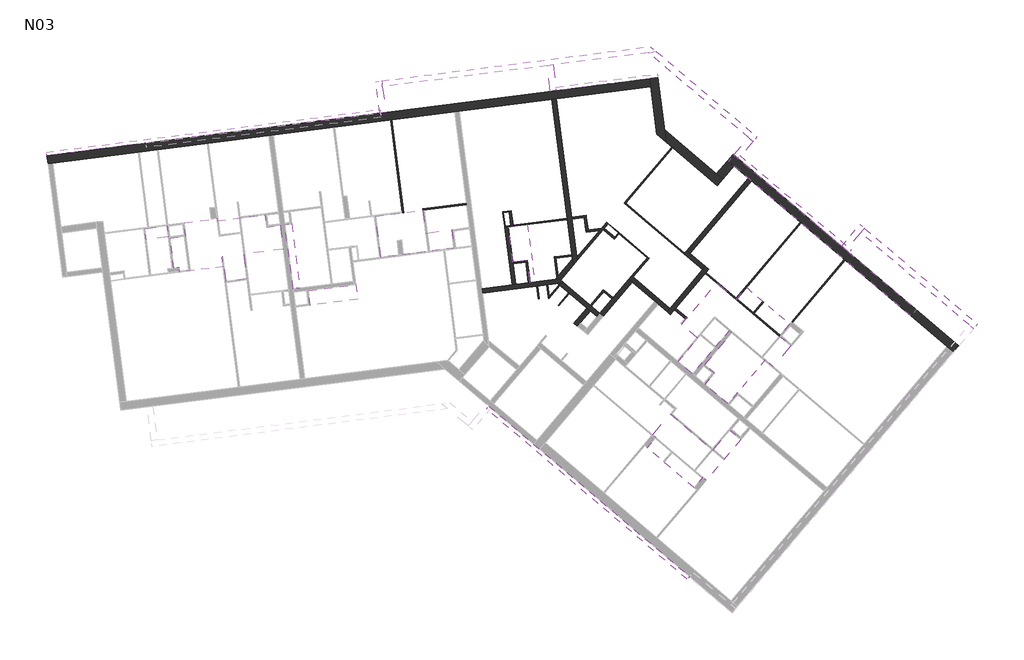
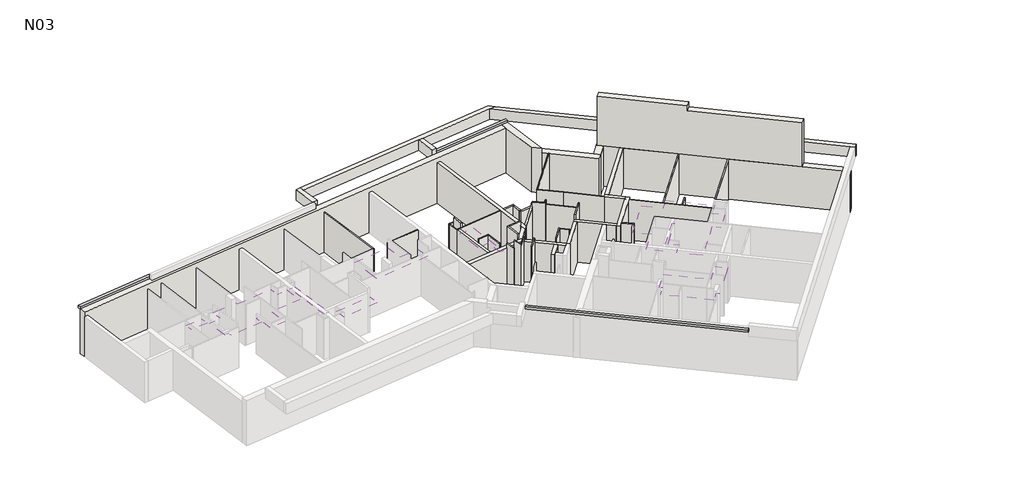
# One storey, part 3 of 3: 57 walls, 8 coverings, 4 proxies.
"""IFC4 building model written with IfcOpenShell, lengths in millimetres."""

from ifc_helpers import new_model, si_unit, frame, origin, place, context, project, spatial, polyline, outline, extrude, faceted_brep, element, save

model = new_model("IFC4")

# Units and contexts
model_context = context("Model", 3, world=origin())
ifc_project = project(units=[si_unit("LENGTHUNIT", "METRE", prefix="MILLI")], contexts=[model_context])

# Site, building, storey
site = spatial("IfcSite", under=ifc_project)
building = spatial("IfcBuilding", under=site)
storey = spatial("IfcBuildingStorey", under=building, Name="N03", Elevation=8610.0)

# Proxies
placement = place(None, origin())
element("IfcBuildingElementProxy", 1, Name="Wall Sweeps", at=placement, inside=storey, context=model_context, shape_type="Brep", body=[
    faceted_brep([(16867.2686625, 4566.816918, 11522.4), (16867.2686625, 4566.816918, 11370.0), (16952.940746, 4667.7627158, 11370.0), (16965.8821484, 4683.0113258, 11370.0), (16965.8821484, 4683.0113258, 11522.4), (16952.940746, 4667.7627158, 11522.4), (7979.7679212, 12109.5846437, 11370.0), (7979.7679212, 12109.5846437, 11522.4), (8078.3814071, 12225.7790515, 11522.4), (8078.3814071, 12225.7790515, 11370.0)], [[[0, 1, 2, 3, 4, 5]], [[6, 7, 8, 9]], [[1, 0, 7, 6]], [[4, 3, 9, 8]], [[8, 7, 0, 5, 4]], [[6, 9, 3, 2, 1]]]),
])
element("IfcBuildingElementProxy", 2, Name="Wall Sweeps", at=placement, inside=storey, context=model_context, shape_type="SweptSolid", body=[
    extrude(outline(polyline([(19091.5035681, 23208.7313079), (19190.1170539, 23324.9257157), (24120.6035144, 19140.4518992), (24021.9900285, 19024.2574914), (19091.5035681, 23208.7313079)])), frame((0.0, 0.0, 11370.0), z_axis=(0.0, 0.0, 1.0), x_axis=(1.0, 0.0, 0.0)), (0.0, 0.0, 1.0), 152.4),
])
element("IfcBuildingElementProxy", 3, Name="Wall Sweeps", at=placement, inside=storey, context=model_context, shape_type="SweptSolid", body=[
    extrude(outline(polyline([(11067.1915012, 26194.7509544), (11047.8706403, 26345.9212701), (15541.3189991, 26920.2224516), (15560.63986, 26769.0521359), (11067.1915012, 26194.7509544)])), frame((0.0, 0.0, 11370.0), z_axis=(0.0, 0.0, 1.0), x_axis=(1.0, 0.0, 0.0)), (0.0, 0.0, 1.0), 152.4),
])
element("IfcBuildingElementProxy", 4, Name="Wall Sweeps", at=placement, inside=storey, context=model_context, shape_type="SweptSolid", body=[
    extrude(outline(polyline([(-11469.4364445, 23314.3769026), (-11488.7573055, 23465.5472182), (3262.1320682, 25350.8372046), (3281.4529292, 25199.666889), (-11469.4364445, 23314.3769026)])), frame((0.0, 0.0, 11370.0), z_axis=(0.0, 0.0, 1.0), x_axis=(1.0, 0.0, 0.0)), (0.0, 0.0, 1.0), 152.4),
])

# Coverings
element("IfcCovering", 5, at=placement, inside=storey, context=model_context, shape_type="SweptSolid", body=[
    extrude(outline(polyline([(16105.5760883, 11881.8339897), (17988.1288353, 10284.1229441), (18732.2594703, 11160.9180159), (19227.8392936, 10740.3224396), (17707.2245177, 8948.610771), (17554.7384183, 9078.0247945), (17168.4869942, 8622.9120372), (15095.3266228, 10382.3906122), (15481.5780469, 10837.5033695), (15329.0919474, 10966.917393), (16105.5760883, 11881.8339897)])), frame((0.0, 0.0, 10810.0), z_axis=(0.0, 0.0, 1.0), x_axis=(1.0, 0.0, 0.0)), (0.0, 0.0, 1.0), 200.0),
])
element("IfcCovering", 6, at=placement, inside=storey, context=model_context, shape_type="SweptSolid", body=[
    extrude(outline(polyline([(18071.4014763, 13689.1766135), (17640.3717908, 14054.9888812), (18839.2636396, 15467.6205017), (18717.2747601, 15571.1517204), (17097.7873349, 13662.9402767), (16457.3457172, 14206.4791754), (17330.8903757, 15235.7603467), (16610.2228679, 15847.3864694), (18165.0032813, 17679.3548633), (19030.5898752, 16944.7367953), (19483.5389574, 17478.4381433), (21389.6152006, 15860.7628499), (20936.6661184, 15327.0615018), (21447.4372599, 14893.5731462), (20670.9531191, 13978.6565495), (20322.7312389, 14274.1903374), (18670.890308, 12327.8573688), (17650.8059, 13193.5967902), (18071.4014763, 13689.1766135)])), frame((0.0, 0.0, 10810.0), z_axis=(0.0, 0.0, 1.0), x_axis=(1.0, 0.0, 0.0)), (0.0, 0.0, 1.0), 200.0),
])
element("IfcCovering", 7, at=placement, inside=storey, context=model_context, shape_type="SweptSolid", body=[
    extrude(outline(polyline([(-280.3726005, 17454.4783661), (-577.951962, 17416.4451752), (-940.7002122, 20254.6607005), (-643.1208507, 20292.6938913), (-280.3726005, 17454.4783661)])), frame((0.0, 0.0, 10810.0), z_axis=(0.0, 0.0, 1.0), x_axis=(1.0, 0.0, 0.0)), (0.0, 0.0, 1.0), 200.0),
])
element("IfcCovering", 8, at=placement, inside=storey, context=model_context, shape_type="SweptSolid", body=[
    extrude(outline(polyline([(5158.4117063, 20901.2018149), (5287.9780159, 19887.4488577), (6433.6585574, 20033.8766423), (6537.3624849, 19222.4761822), (3303.6667568, 18809.1821753), (3070.3965197, 20634.3355925), (5158.4117063, 20901.2018149)])), frame((0.0, 0.0, 10810.0), z_axis=(0.0, 0.0, 1.0), x_axis=(1.0, 0.0, 0.0)), (0.0, 0.0, 1.0), 200.0),
])
element("IfcCovering", 9, at=placement, inside=storey, context=model_context, shape_type="SweptSolid", body=[
    extrude(outline(polyline([(-7086.8994883, 19589.9313294), (-7148.5178036, 20072.0454652), (-6161.5462546, 20198.1888814), (-6099.9279393, 19716.0747456), (-7086.8994883, 19589.9313294)])), frame((0.0, 0.0, 10810.0), z_axis=(0.0, 0.0, 1.0), x_axis=(1.0, 0.0, 0.0)), (0.0, 0.0, 1.0), 200.0),
])
element("IfcCovering", 10, at=placement, inside=storey, context=model_context, shape_type="SweptSolid", body=[
    extrude(outline(polyline([(-2759.8969799, 18949.3642918), (-2620.8005478, 17861.0457323), (-3543.2965685, 17743.1428408), (-3682.3930006, 18831.4614003), (-3731.9895609, 18825.1225351), (-3677.3013538, 18397.2309652), (-5596.6881268, 18151.9168982), (-5623.3113604, 18360.2224513), (-5852.3280012, 18330.9521633), (-6021.6183438, 19655.5139725), (-5327.2665003, 19744.2580844), (-5404.0980919, 20345.4039648), (-3950.0465216, 20531.2442078), (-3935.990897, 20421.2701641), (-1823.1774303, 20691.305819), (-1754.0838003, 20150.7033122), (-1139.0864532, 20229.30524), (-1004.178747, 19173.7601177), (-2759.8969799, 18949.3642918)])), frame((0.0, 0.0, 10810.0), z_axis=(0.0, 0.0, 1.0), x_axis=(1.0, 0.0, 0.0)), (0.0, 0.0, 1.0), 200.0),
])
element("IfcCovering", 11, at=placement, inside=storey, context=model_context, shape_type="SweptSolid", body=[
    extrude(outline(polyline([(2196.919571, 17608.7864655), (2280.4656359, 16955.1051907), (168.5348616, 16685.1823515), (85.3535707, 17340.9389242), (2196.919571, 17608.7864655)])), frame((0.0, 0.0, 10810.0), z_axis=(0.0, 0.0, 1.0), x_axis=(1.0, 0.0, 0.0)), (0.0, 0.0, 1.0), 200.0),
])
element("IfcCovering", 12, at=placement, inside=storey, context=model_context, shape_type="SweptSolid", body=[
    extrude(outline(polyline([(9792.06233, 20260.2144685), (10116.6790557, 17720.3476873), (9903.7474971, 17693.1332106), (9778.1711367, 18675.6679999), (9147.9611711, 18595.1217693), (8948.9208057, 20152.4537612), (9792.06233, 20260.2144685)])), frame((0.0, 0.0, 10810.0), z_axis=(0.0, 0.0, 1.0), x_axis=(1.0, 0.0, 0.0)), (0.0, 0.0, 1.0), 200.0),
])

# Walls
element("IfcWall", 13, at=placement, inside=storey, context=model_context, shape_type="Brep", body=[
    faceted_brep([(18653.8556953, 23094.8702544, 8610.0), (18935.9549793, 22855.454311, 8610.0), (19566.3334351, 22320.4559566, 8610.0), (19718.8195346, 22191.0419331, 8610.0), (21868.8735369, 20366.3042021, 8610.0), (21906.9950618, 20333.9506962, 8610.0), (23813.071305, 18716.2754028, 8610.0), (23851.1928298, 18683.9218969, 8610.0), (28349.5327638, 14866.2082043, 8610.0), (28631.6320478, 14626.7922609, 8610.0), (28631.6320478, 14626.7922609, 11050.0), (28631.6320478, 14626.7922609, 11110.0), (26756.0530245, 16218.5847496, 11110.0), (23851.1928298, 18683.9218969, 11110.0), (23813.071305, 18716.2754028, 11110.0), (21906.9950618, 20333.9506962, 11110.0), (21868.8735369, 20366.3042021, 11110.0), (19718.8195346, 22191.0419331, 11110.0), (19566.3334351, 22320.4559566, 11110.0), (18935.9549793, 22855.454311, 11110.0), (18689.9223802, 23064.2606788, 11110.0), (18653.8556953, 23094.8702544, 11110.0), (18893.2716388, 23376.9695384, 8610.0), (18893.2716388, 23376.9695384, 11110.0), (18929.3383236, 23346.3599628, 11110.0), (26995.4689679, 16500.6840336, 11110.0), (28871.0479912, 14908.8915449, 11110.0), (28871.0479912, 14908.8915449, 8920.0), (28871.0479912, 14908.8915449, 8610.0)], [[[0, 1, 2, 3, 4, 5, 6, 7, 8, 9, 10, 11, 12, 13, 14, 15, 16, 17, 18, 19, 20, 21]], [[22, 23, 24, 25, 26, 27, 28]], [[9, 8, 7, 6, 5, 4, 3, 2, 1, 0, 22, 28]], [[21, 20, 19, 18, 17, 16, 15, 14, 13, 12, 11, 26, 25, 24, 23]], [[0, 21, 23, 22]], [[9, 28, 27, 26, 11, 10]]]),
])
element("IfcWall", 14, at=placement, inside=storey, context=model_context, shape_type="Brep", body=[
    faceted_brep([(18689.9223802, 23064.2606788, 11110.0), (26756.0530245, 16218.5847496, 11110.0), (26756.0530245, 16218.5847496, 11380.0), (26756.0530245, 16218.5847496, 13820.0), (22235.2241925, 20055.3846329, 13820.0), (22235.2241925, 20055.3846329, 14150.0), (18689.9223802, 23064.2606788, 14150.0), (18689.9223802, 23064.2606788, 13880.0), (18689.9223802, 23064.2606788, 11380.0), (26995.4689679, 16500.6840336, 11110.0), (18929.3383236, 23346.3599628, 11110.0), (18929.3383236, 23346.3599628, 11690.0), (18929.3383236, 23346.3599628, 14150.0), (22268.7839017, 20512.1928486, 14150.0), (22474.640136, 20337.4839169, 14150.0), (22474.640136, 20337.4839169, 13820.0), (26995.4689679, 16500.6840336, 13820.0)], [[[0, 1, 2, 3, 4, 5, 6, 7, 8]], [[9, 10, 11, 12, 13, 14, 15, 16]], [[1, 0, 10, 9]], [[12, 6, 5, 14, 13]], [[1, 9, 16, 3, 2]], [[0, 8, 7, 6, 12, 11, 10]], [[15, 4, 3, 16]], [[4, 15, 14, 5]]]),
])
element("IfcWall", 15, at=placement, inside=storey, context=model_context, shape_type="Brep", body=[
    faceted_brep([(10876.035614, 25797.3098559, 8610.0), (11548.5885067, 20535.120278, 8610.0), (11554.9273719, 20485.5237178, 8610.0), (11778.6398941, 18735.1517901, 8610.0), (11812.9732571, 18466.5206289, 8610.0), (11812.9732571, 18466.5206289, 11110.0), (11778.6398941, 18735.1517901, 11110.0), (11554.9273719, 20485.5237178, 11110.0), (11548.5885067, 20535.120278, 11110.0), (10876.035614, 25797.3098559, 11110.0), (11074.421855, 25822.6653165, 8610.0), (11074.421855, 25822.6653165, 11110.0), (11742.7910111, 20593.2101382, 11110.0), (11755.4687414, 20494.0170177, 11110.0), (11971.0437253, 18807.314833, 11110.0), (11988.2104067, 18672.9992524, 11110.0), (11988.2104067, 18672.9992524, 8610.0), (11971.0437253, 18807.314833, 8610.0), (11755.4687414, 20494.0170177, 8610.0), (11742.7910111, 20593.2101382, 8610.0)], [[[0, 1, 2, 3, 4, 5, 6, 7, 8, 9]], [[10, 11, 12, 13, 14, 15, 16, 17, 18, 19]], [[4, 3, 2, 1, 0, 10, 19, 18, 17, 16]], [[9, 8, 7, 6, 5, 15, 14, 13, 12, 11]], [[0, 9, 11, 10]], [[5, 4, 16, 15]]]),
])
element("IfcWall", 16, at=placement, inside=storey, context=model_context, shape_type="Brep", body=[
    faceted_brep([(11193.6909618, 17857.9990323, 8610.0), (7775.7214118, 17421.1532528, 8610.0), (7775.7214118, 17421.1532528, 11110.0), (11193.6909618, 17857.9990323, 11110.0), (11400.1695853, 17682.7618826, 8610.0), (11400.1695853, 17682.7618826, 11110.0), (11131.5384241, 17648.4285197, 11110.0), (7801.0768724, 17222.7670118, 11110.0), (7801.0768724, 17222.7670118, 8610.0), (10201.5503886, 17529.5680845, 8610.0), (10251.1469488, 17535.9069496, 8610.0), (10647.9194308, 17586.6178707, 8610.0), (10697.5159911, 17592.9567358, 8610.0), (11131.5384241, 17648.4285197, 8610.0)], [[[0, 1, 2, 3]], [[4, 5, 6, 7, 8, 9, 10, 11, 12, 13]], [[1, 0, 4, 13, 12, 11, 10, 9, 8]], [[3, 2, 7, 6, 5]], [[2, 1, 8, 7]], [[0, 3, 5, 4]]]),
])
element("IfcWall", 17, at=placement, inside=storey, context=model_context, shape_type="Brep", body=[
    faceted_brep([(16117.4722812, 16278.6968395, 8610.0), (17819.26669, 18283.8890473, 8610.0), (17819.26669, 18283.8890473, 11110.0), (16117.4722812, 16278.6968395, 11110.0), (15964.9861818, 16408.110863, 8610.0), (15964.9861818, 16408.110863, 11110.0), (16094.4002053, 16560.5969624, 11110.0), (17537.366567, 18260.8169713, 11110.0), (17666.7805905, 18413.3030708, 11110.0), (17666.7805905, 18413.3030708, 8610.0), (17537.366567, 18260.8169713, 8610.0), (16094.4002053, 16560.5969624, 8610.0)], [[[0, 1, 2, 3]], [[4, 5, 6, 7, 8, 9, 10, 11]], [[1, 0, 4, 11, 10, 9]], [[3, 2, 8, 7, 6, 5]], [[2, 1, 9, 8]], [[0, 3, 5, 4]]]),
])
element("IfcWall", 18, at=placement, inside=storey, context=model_context, shape_type="Brep", body=[
    faceted_brep([(16713.9989216, 18959.604075, 8610.0), (17537.366567, 18260.8169713, 8610.0), (17537.366567, 18260.8169713, 11110.0), (16713.9989216, 18959.604075, 11110.0), (16843.4129451, 19112.0901745, 8610.0), (16843.4129451, 19112.0901745, 11110.0), (16995.8990446, 18982.676151, 11110.0), (17666.7805905, 18413.3030708, 11110.0), (17666.7805905, 18413.3030708, 8610.0), (16995.8990446, 18982.676151, 8610.0), (16746.3524275, 18997.7255999, 11110.0)], [[[0, 1, 2, 3]], [[4, 5, 6, 7, 8, 9]], [[1, 0, 4, 9, 8]], [[3, 2, 7, 6, 5, 10]], [[2, 1, 8, 7]], [[0, 3, 10, 5, 4]]]),
])
element("IfcWall", 19, at=placement, inside=storey, context=model_context, shape_type="SweptSolid", body=[
    extrude(outline(polyline([(16843.4129451, 19112.0901745), (19566.3334351, 22320.4559566), (19718.8195346, 22191.0419331), (16995.8990446, 18982.676151), (16843.4129451, 19112.0901745)])), frame((0.0, 0.0, 8610.0), z_axis=(0.0, 0.0, 1.0), x_axis=(1.0, 0.0, 0.0)), (0.0, 0.0, 1.0), 2500.0),
])
element("IfcWall", 20, at=placement, inside=storey, context=model_context, shape_type="Brep", body=[
    faceted_brep([(16094.4002053, 16560.5969624, 8610.0), (14463.2402497, 17944.9524777, 8610.0), (14409.8701149, 17990.2473859, 8610.0), (14409.8701149, 17990.2473859, 11110.0), (16094.4002053, 16560.5969624, 11110.0), (15964.9861818, 16408.110863, 8610.0), (15964.9861818, 16408.110863, 11110.0), (15578.6427768, 16735.9981567, 11110.0), (15426.1566773, 16865.4121802, 11110.0), (14432.9421908, 17708.347263, 11110.0), (14280.4560914, 17837.7612865, 11110.0), (14280.4560914, 17837.7612865, 8610.0), (14432.9421908, 17708.347263, 8610.0), (15426.1566773, 16865.4121802, 8610.0), (15578.6427768, 16735.9981567, 8610.0)], [[[0, 1, 2, 3, 4]], [[5, 6, 7, 8, 9, 10, 11, 12, 13, 14]], [[2, 1, 0, 5, 14, 13, 12, 11]], [[4, 3, 10, 9, 8, 7, 6]], [[0, 4, 6, 5]], [[3, 2, 11, 10]]]),
])
element("IfcWall", 21, at=placement, inside=storey, context=model_context, shape_type="SweptSolid", body=[
    extrude(outline(polyline([(11812.9732571, 18466.5206289), (11253.4682327, 17807.2664267), (11193.6909618, 17857.9990323), (11014.8014897, 17835.1354258), (11778.6398941, 18735.1517901), (11812.9732571, 18466.5206289)])), frame((0.0, 0.0, 8610.0), z_axis=(0.0, 0.0, 1.0), x_axis=(1.0, 0.0, 0.0)), (0.0, 0.0, 1.0), 2500.0),
])
element("IfcWall", 22, at=placement, inside=storey, context=model_context, shape_type="Brep", body=[
    faceted_brep([(15149.6049549, 27865.7916052, 11050.0), (19576.408441, 24108.79046, 11050.0), (19774.6403703, 23940.5522295, 11050.0), (19774.6403703, 23940.5522295, 11690.0), (19576.408441, 24108.79046, 11690.0), (16574.3074572, 26656.6552726, 11690.0), (16305.8852466, 26884.4635671, 11690.0), (15149.6049549, 27865.7916052, 11690.0), (15498.8254645, 27910.424977, 11050.0), (15498.8254645, 27910.424977, 11690.0), (19942.8786008, 24138.7841588, 11690.0), (19942.8786008, 24138.7841588, 11050.0)], [[[0, 1, 2, 3, 4, 5, 6, 7]], [[8, 9, 10, 11]], [[2, 1, 0, 8, 11]], [[7, 6, 5, 4, 3, 10, 9]], [[3, 2, 11, 10]], [[0, 7, 9, 8]]]),
])
element("IfcWall", 23, at=placement, inside=storey, context=model_context, shape_type="Brep", body=[
    faceted_brep([(-11422.5288425, 22947.3623567, 8610.0), (-11224.1426015, 22972.7178173, 8610.0), (-1646.174462, 24196.8641698, 8610.0), (-1447.788221, 24222.2196304, 8610.0), (1207.4788681, 24561.5855037, 8610.0), (1257.0754284, 24567.9243688, 8610.0), (3736.903441, 24884.8676257, 8610.0), (3786.5000012, 24891.2064909, 8610.0), (6573.8266873, 25247.4507116, 8610.0), (6772.2129283, 25272.8061722, 8610.0), (10876.035614, 25797.3098559, 8610.0), (11059.542887, 25820.7636569, 8610.0), (11074.421855, 25822.6653165, 8610.0), (15240.5329162, 26355.1299881, 8610.0), (15240.5329162, 26355.1299881, 11380.0), (3695.375077, 24879.5599452, 11380.0), (-7032.3609053, 23508.4634158, 11380.0), (-11422.5288425, 22947.3623567, 11380.0), (-11422.5288425, 22947.3623567, 11110.0), (15193.6253141, 26722.1445339, 8610.0), (11012.6352849, 26187.7782028, 8610.0), (-11469.4364445, 23314.3769026, 8610.0), (-11469.4364445, 23314.3769026, 8920.0), (-11469.4364445, 23314.3769026, 11380.0), (-7079.2685073, 23875.4779617, 11380.0), (-7079.2685073, 23875.4779617, 11050.0), (3281.4529292, 25199.666889, 11050.0), (3281.4529292, 25199.666889, 11380.0), (3648.467475, 25246.574491, 11380.0), (15193.6253141, 26722.1445339, 11380.0), (3306.8083897, 25001.280648, 11380.0), (-7053.9130468, 23677.0917207, 11380.0), (3306.8083897, 25001.280648, 11050.0), (-7053.9130468, 23677.0917207, 11050.0)], [[[0, 1, 2, 3, 4, 5, 6, 7, 8, 9, 10, 11, 12, 13, 14, 15, 16, 17, 18]], [[19, 20, 21, 22, 23, 24, 25, 26, 27, 28, 29]], [[13, 12, 11, 10, 9, 8, 7, 6, 5, 4, 3, 2, 1, 0, 21, 20, 19]], [[17, 16, 15, 14, 29, 28, 27, 30, 31, 24, 23]], [[14, 13, 19, 29]], [[17, 23, 22, 21, 0, 18]], [[32, 33, 31, 30]], [[33, 32, 26, 25]], [[33, 25, 24, 31]], [[26, 32, 30, 27]]]),
])
element("IfcWall", 24, at=placement, inside=storey, context=model_context, shape_type="Brep", body=[
    faceted_brep([(15193.6253141, 26722.1445339, 8610.0), (15240.5329162, 26355.1299881, 8610.0), (15507.785135, 24264.0946865, 8610.0), (15507.785135, 24264.0946865, 11380.0), (15240.5329162, 26355.1299881, 11380.0), (15193.6253141, 26722.1445339, 11380.0), (15926.1781059, 23909.0071215, 8610.0), (15856.6075253, 24453.3413857, 8610.0), (15607.547462, 26402.0375901, 8610.0), (15560.63986, 26769.0521359, 8610.0), (15560.63986, 26769.0521359, 11380.0), (15926.1781059, 23909.0071215, 11380.0), (15926.1781059, 23909.0071215, 11110.0)], [[[0, 1, 2, 3, 4, 5]], [[6, 7, 8, 9, 10, 11, 12]], [[2, 1, 0, 9, 8, 7, 6]], [[5, 4, 3, 11, 10]], [[3, 2, 6, 12, 11]], [[0, 5, 10, 9]]]),
])
element("IfcWall", 25, at=placement, inside=storey, context=model_context, shape_type="Brep", body=[
    faceted_brep([(15926.1781059, 23909.0071215, 8610.0), (18195.5282503, 21983.0234816, 8610.0), (18195.5282503, 21983.0234816, 11110.0), (15926.1781059, 23909.0071215, 11110.0), (15856.6075253, 24453.3413857, 8610.0), (15856.6075253, 24453.3413857, 11110.0), (18152.8449097, 22504.538709, 11110.0), (18434.9441937, 22265.1227656, 11110.0), (18434.9441937, 22265.1227656, 8610.0), (18152.8449097, 22504.538709, 8610.0)], [[[0, 1, 2, 3]], [[4, 5, 6, 7, 8, 9]], [[1, 0, 4, 9, 8]], [[3, 2, 7, 6, 5]], [[0, 3, 5, 4]], [[2, 1, 8, 7]]]),
])
element("IfcWall", 26, at=placement, inside=storey, context=model_context, shape_type="SweptSolid", body=[
    extrude(outline(polyline([(18935.9549793, 22855.454311), (18434.9441937, 22265.1227656), (18152.8449097, 22504.538709), (18653.8556953, 23094.8702544), (18935.9549793, 22855.454311)])), frame((0.0, 0.0, 8610.0), z_axis=(0.0, 0.0, 1.0), x_axis=(1.0, 0.0, 0.0)), (0.0, 0.0, 1.0), 2500.0),
])
element("IfcWall", 27, at=placement, inside=storey, context=model_context, shape_type="Brep", body=[
    faceted_brep([(3084.1260812, 26585.83503, 11050.0), (3261.6143051, 25197.1313429, 11050.0), (3261.6143051, 25197.1313429, 11690.0), (3084.1260812, 26585.83503, 11690.0), (3342.0281945, 26618.7971287, 11050.0), (3342.0281945, 26618.7971287, 11690.0), (3374.9902932, 26360.8950154, 11690.0), (3519.5164184, 25230.0934417, 11690.0), (3519.5164184, 25230.0934417, 11050.0), (3374.9902932, 26360.8950154, 11050.0)], [[[0, 1, 2, 3]], [[4, 5, 6, 7, 8, 9]], [[1, 0, 4, 9, 8]], [[3, 2, 7, 6, 5]], [[2, 1, 8, 7]], [[0, 3, 5, 4]]]),
])
element("IfcWall", 28, at=placement, inside=storey, context=model_context, shape_type="Brep", body=[
    faceted_brep([(19127.5702529, 23178.1217322, 11050.0), (19774.6403703, 23940.5522295, 11050.0), (19774.6403703, 23940.5522295, 11690.0), (19127.5702529, 23178.1217322, 11690.0), (19576.408441, 24108.79046, 11050.0), (18929.3383236, 23346.3599628, 11050.0), (18929.3383236, 23346.3599628, 11110.0), (18929.3383236, 23346.3599628, 11690.0), (19576.408441, 24108.79046, 11690.0)], [[[0, 1, 2, 3]], [[4, 5, 6, 7, 8]], [[1, 0, 5, 4]], [[3, 2, 8, 7]], [[0, 3, 7, 6, 5]], [[2, 1, 4, 8]]]),
])
element("IfcWall", 29, at=placement, inside=storey, context=model_context, shape_type="SweptSolid", body=[
    extrude(outline(polyline([(10922.6653761, 27325.5525282), (11067.1915012, 26194.7509544), (10809.2893879, 26161.7888557), (10664.7632628, 27292.5904295), (10922.6653761, 27325.5525282)])), frame((0.0, 0.0, 11050.0), z_axis=(0.0, 0.0, 1.0), x_axis=(1.0, 0.0, 0.0)), (0.0, 0.0, 1.0), 640.0),
])
element("IfcWall", 30, at=placement, inside=storey, context=model_context, shape_type="Brep", body=[
    faceted_brep([(23886.2011569, 19139.5006794, 11050.0), (24533.2712743, 19901.9311766, 11050.0), (24701.5095049, 20100.1631059, 11050.0), (24701.5095049, 20100.1631059, 11690.0), (24533.2712743, 19901.9311766, 11690.0), (23886.2011569, 19139.5006794, 11690.0), (23687.9692277, 19307.7389099, 11050.0), (23687.9692277, 19307.7389099, 11690.0), (24503.2775756, 20268.4013364, 11690.0), (24503.2775756, 20268.4013364, 11050.0)], [[[0, 1, 2, 3, 4, 5]], [[6, 7, 8, 9]], [[2, 1, 0, 6, 9]], [[5, 4, 3, 8, 7]], [[0, 5, 7, 6]], [[3, 2, 9, 8]]]),
])
element("IfcWall", 31, at=placement, inside=storey, context=model_context, shape_type="Brep", body=[
    faceted_brep([(24533.2712743, 19901.9311766, 11050.0), (29335.1347893, 15826.6188703, 11050.0), (29533.3667185, 15658.3806398, 11050.0), (29533.3667185, 15658.3806398, 11690.0), (29335.1347893, 15826.6188703, 11690.0), (24533.2712743, 19901.9311766, 11690.0), (24701.5095049, 20100.1631059, 11050.0), (24701.5095049, 20100.1631059, 11690.0), (29701.6049491, 15856.6125691, 11690.0), (29701.6049491, 15856.6125691, 11050.0)], [[[0, 1, 2, 3, 4, 5]], [[6, 7, 8, 9]], [[2, 1, 0, 6, 9]], [[5, 4, 3, 8, 7]], [[3, 2, 9, 8]], [[0, 5, 7, 6]]]),
])
element("IfcWall", 32, at=placement, inside=storey, context=model_context, shape_type="Brep", body=[
    faceted_brep([(15230.4032539, 28138.2332716, 11050.0), (3342.0281945, 26618.7971287, 11050.0), (3342.0281945, 26618.7971287, 11690.0), (15230.4032539, 28138.2332716, 11690.0), (15498.8254645, 27910.424977, 11050.0), (15498.8254645, 27910.424977, 11690.0), (15149.6049549, 27865.7916052, 11690.0), (10922.6653761, 27325.5525282, 11690.0), (10664.7632628, 27292.5904295, 11690.0), (3374.9902932, 26360.8950154, 11690.0), (3374.9902932, 26360.8950154, 11050.0), (10664.7632628, 27292.5904295, 11050.0), (10922.6653761, 27325.5525282, 11050.0), (15149.6049549, 27865.7916052, 11050.0)], [[[0, 1, 2, 3]], [[4, 5, 6, 7, 8, 9, 10, 11, 12, 13]], [[1, 0, 4, 13, 12, 11, 10]], [[3, 2, 9, 8, 7, 6, 5]], [[0, 3, 5, 4]], [[2, 1, 10, 9]]]),
])
element("IfcWall", 33, at=placement, inside=storey, context=model_context, shape_type="Brep", body=[
    faceted_brep([(12000.6753302, 15769.7097053, 8610.0), (12130.0893537, 15922.1958047, 8610.0), (12563.6263324, 16433.0242379, 8610.0), (12563.6263324, 16433.0242379, 11110.0), (12130.0893537, 15922.1958047, 11110.0), (12000.6753302, 15769.7097053, 11110.0), (11848.1892308, 15899.1237288, 8610.0), (11848.1892308, 15899.1237288, 11110.0), (12411.1402329, 16562.4382614, 11110.0), (12411.1402329, 16562.4382614, 8610.0)], [[[0, 1, 2, 3, 4, 5]], [[6, 7, 8, 9]], [[2, 1, 0, 6, 9]], [[5, 4, 3, 8, 7]], [[0, 5, 7, 6]], [[3, 2, 9, 8]]]),
])
element("IfcWall", 34, at=placement, inside=storey, context=model_context, shape_type="Brep", body=[
    faceted_brep([(12998.0125548, 16326.6822904, 8610.0), (11400.1695853, 17682.7618826, 8610.0), (11400.1695853, 17682.7618826, 11110.0), (12998.0125548, 16326.6822904, 11110.0), (12868.5985313, 16174.196191, 8610.0), (12868.5985313, 16174.196191, 11110.0), (12563.6263324, 16433.0242379, 11110.0), (12411.1402329, 16562.4382614, 11110.0), (11131.5384241, 17648.4285197, 11110.0), (11131.5384241, 17648.4285197, 8610.0), (11191.2514373, 17597.7504492, 8610.0), (11229.3729621, 17565.3969433, 8610.0), (11610.5882108, 17241.8618846, 8610.0), (11648.7097356, 17209.5083788, 8610.0), (12411.1402329, 16562.4382614, 8610.0), (12563.6263324, 16433.0242379, 8610.0)], [[[0, 1, 2, 3]], [[4, 5, 6, 7, 8, 9, 10, 11, 12, 13, 14, 15]], [[1, 0, 4, 15, 14, 13, 12, 11, 10, 9]], [[3, 2, 8, 7, 6, 5]], [[0, 3, 5, 4]], [[2, 1, 9, 8]]]),
])
element("IfcWall", 35, at=placement, inside=storey, context=model_context, shape_type="SweptSolid", body=[
    extrude(outline(polyline([(14432.9421908, 17708.347263), (13150.4986542, 16197.2682669), (12998.0125548, 16326.6822904), (14280.4560914, 17837.7612865), (14432.9421908, 17708.347263)])), frame((0.0, 0.0, 8610.0), z_axis=(0.0, 0.0, 1.0), x_axis=(1.0, 0.0, 0.0)), (0.0, 0.0, 1.0), 2500.0),
])
element("IfcWall", 36, ObjectType="CLO 10", at=placement, inside=storey, context=model_context, shape_type="Brep", body=[
    faceted_brep([(16292.1812129, 16484.5530737, 8610.0), (16749.6395113, 16096.3110033, 8610.0), (16787.7610362, 16063.9574974, 8610.0), (16787.7610362, 16063.9574974, 11110.0), (16749.6395113, 16096.3110033, 11110.0), (16292.1812129, 16484.5530737, 11110.0), (16356.8882247, 16560.7961235, 8610.0), (16356.8882247, 16560.7961235, 11110.0), (16852.4680479, 16140.2005472, 11110.0), (16852.4680479, 16140.2005472, 8610.0)], [[[0, 1, 2, 3, 4, 5]], [[6, 7, 8, 9]], [[2, 1, 0, 6, 9]], [[5, 4, 3, 8, 7]], [[0, 5, 7, 6]], [[3, 2, 9, 8]]]),
])
element("IfcWall", 37, ObjectType="CLO 10", at=placement, inside=storey, context=model_context, shape_type="Brep", body=[
    faceted_brep([(9150.8874937, 20228.673555, 8610.0), (9074.821112, 20823.832278, 8610.0), (9074.821112, 20823.832278, 11110.0), (9074.821112, 20823.832278, 11380.0), (9150.8874937, 20228.673555, 11380.0), (9051.6943732, 20215.9958247, 8610.0), (9051.6943732, 20215.9958247, 11380.0), (8975.6279915, 20811.1545478, 11380.0), (8975.6279915, 20811.1545478, 8610.0)], [[[0, 1, 2, 3, 4]], [[5, 6, 7, 8]], [[1, 0, 5, 8]], [[4, 3, 7, 6]], [[0, 4, 6, 5]], [[3, 2, 1, 8, 7]]]),
])
element("IfcWall", 38, ObjectType="CLO 10", at=placement, inside=storey, context=model_context, shape_type="Brep", body=[
    faceted_brep([(11988.2104067, 18672.9992524, 8610.0), (13133.4245751, 20022.3834758, 8610.0), (13198.1315868, 20098.6265256, 8610.0), (13359.8991162, 20289.2341499, 8610.0), (13372.8405185, 20304.4827598, 8610.0), (13372.8405185, 20304.4827598, 11110.0), (13359.8991162, 20289.2341499, 11110.0), (11988.2104067, 18672.9992524, 11110.0), (11971.0437253, 18807.314833, 8610.0), (11971.0437253, 18807.314833, 11110.0), (12979.1301683, 19995.1240478, 11110.0), (13075.0997805, 20108.2032291, 11110.0), (13296.5974688, 20369.1897716, 11110.0), (13296.5974688, 20369.1897716, 8610.0), (13075.0997805, 20108.2032291, 8610.0), (12979.1301683, 19995.1240478, 8610.0)], [[[0, 1, 2, 3, 4, 5, 6, 7]], [[8, 9, 10, 11, 12, 13, 14, 15]], [[4, 3, 2, 1, 0, 8, 15, 14, 13]], [[7, 6, 5, 12, 11, 10, 9]], [[5, 4, 13, 12]], [[0, 7, 9, 8]]]),
])
element("IfcWall", 39, ObjectType="CLO 10", at=placement, inside=storey, context=model_context, shape_type="Brep", body=[
    faceted_brep([(13075.0997805, 20108.2032291, 8610.0), (12469.9515412, 20030.8601017, 8610.0), (12370.7584207, 20018.1823715, 8610.0), (12370.7584207, 20018.1823715, 11110.0), (12469.9515412, 20030.8601017, 11110.0), (13075.0997805, 20108.2032291, 11110.0), (12979.1301683, 19995.1240478, 8610.0), (12979.1301683, 19995.1240478, 11110.0), (12383.436151, 19918.989251, 11110.0), (12383.436151, 19918.989251, 8610.0)], [[[0, 1, 2, 3, 4, 5]], [[6, 7, 8, 9]], [[2, 1, 0, 6, 9]], [[5, 4, 3, 8, 7]], [[3, 2, 9, 8]], [[0, 5, 7, 6]]]),
])
element("IfcWall", 40, ObjectType="CLO 10", at=placement, inside=storey, context=model_context, shape_type="Brep", body=[
    faceted_brep([(12387.5462944, 20675.615385, 8610.0), (11742.7910111, 20593.2101382, 8610.0), (11742.7910111, 20593.2101382, 11110.0), (12387.5462944, 20675.615385, 11110.0), (12400.2240247, 20576.4222645, 8610.0), (12400.2240247, 20576.4222645, 11110.0), (12301.0309042, 20563.7445342, 11110.0), (11755.4687414, 20494.0170177, 11110.0), (11755.4687414, 20494.0170177, 8610.0), (12301.0309042, 20563.7445342, 8610.0)], [[[0, 1, 2, 3]], [[4, 5, 6, 7, 8, 9]], [[1, 0, 4, 9, 8]], [[3, 2, 7, 6, 5]], [[0, 3, 5, 4]], [[2, 1, 8, 7]]]),
])
element("IfcWall", 41, ObjectType="CLO 10", at=placement, inside=storey, context=model_context, shape_type="SweptSolid", body=[
    extrude(outline(polyline([(12370.7584207, 20018.1823715), (12301.0309042, 20563.7445342), (12400.2240247, 20576.4222645), (12469.9515412, 20030.8601017), (12370.7584207, 20018.1823715)])), frame((0.0, 0.0, 8610.0), z_axis=(0.0, 0.0, 1.0), x_axis=(1.0, 0.0, 0.0)), (0.0, 0.0, 1.0), 2500.0),
])
element("IfcWall", 42, ObjectType="CLO 10", at=placement, inside=storey, context=model_context, shape_type="Brep", body=[
    faceted_brep([(13133.4245751, 20022.3834758, 8610.0), (13629.0043983, 19601.7878995, 8610.0), (13629.0043983, 19601.7878995, 11380.0), (13133.4245751, 20022.3834758, 11380.0), (13198.1315868, 20098.6265256, 8610.0), (13198.1315868, 20098.6265256, 11380.0), (13655.5898852, 19710.3844551, 11380.0), (13693.7114101, 19678.0309493, 11380.0), (13693.7114101, 19678.0309493, 8610.0), (13655.5898852, 19710.3844551, 8610.0)], [[[0, 1, 2, 3]], [[4, 5, 6, 7, 8, 9]], [[1, 0, 4, 9, 8]], [[3, 2, 7, 6, 5]], [[2, 1, 8, 7]], [[0, 3, 5, 4]]]),
])
element("IfcWall", 43, ObjectType="CLO 2", at=placement, inside=storey, context=model_context, shape_type="SweptSolid", body=[
    extrude(outline(polyline([(8783.8729478, 20181.765953), (8707.8065662, 20776.924676), (8727.6451903, 20779.4602221), (8803.7115719, 20184.3014991), (8783.8729478, 20181.765953)])), frame((0.0, 0.0, 8610.0), z_axis=(0.0, 0.0, 1.0), x_axis=(1.0, 0.0, 0.0)), (0.0, 0.0, 1.0), 2500.0),
])
element("IfcWall", 44, ObjectType="CLO 2", at=placement, inside=storey, context=model_context, shape_type="SweptSolid", body=[
    extrude(outline(polyline([(13817.3574145, 19900.9920795), (13359.8991162, 20289.2341499), (13372.8405185, 20304.4827598), (13830.2988169, 19916.2406894), (13817.3574145, 19900.9920795)])), frame((0.0, 0.0, 8610.0), z_axis=(0.0, 0.0, 1.0), x_axis=(1.0, 0.0, 0.0)), (0.0, 0.0, 1.0), 2500.0),
])
element("IfcWall", 45, ObjectType="CLO 5", at=placement, inside=storey, context=model_context, shape_type="Brep", body=[
    faceted_brep([(17546.2892625, 18204.4536811, 8610.0), (20936.6661184, 15327.0615018, 8610.0), (20936.6661184, 15327.0615018, 11110.0), (17546.2892625, 18204.4536811, 11110.0), (17578.6427683, 18242.575206, 8610.0), (17578.6427683, 18242.575206, 11110.0), (19024.8218562, 17015.211826, 11110.0), (19062.9433811, 16982.8583201, 11110.0), (19785.9138685, 16369.2776726, 11110.0), (19824.0353934, 16336.9241668, 11110.0), (20969.0196243, 15365.1830266, 11110.0), (20969.0196243, 15365.1830266, 8610.0), (19824.0353934, 16336.9241668, 8610.0), (19785.9138685, 16369.2776726, 8610.0), (19062.9433811, 16982.8583201, 8610.0), (19024.8218562, 17015.211826, 8610.0)], [[[0, 1, 2, 3]], [[4, 5, 6, 7, 8, 9, 10, 11, 12, 13, 14, 15]], [[1, 0, 4, 15, 14, 13, 12, 11]], [[3, 2, 10, 9, 8, 7, 6, 5]], [[0, 3, 5, 4]], [[2, 1, 11, 10]]]),
])
element("IfcWall", 46, ObjectType="CLO 5", at=placement, inside=storey, context=model_context, shape_type="Brep", body=[
    faceted_brep([(19062.9433811, 16982.8583201, 8610.0), (21906.9950618, 20333.9506962, 8610.0), (21906.9950618, 20333.9506962, 11110.0), (19062.9433811, 16982.8583201, 11110.0), (19062.9433811, 16982.8583201, 10710.0), (19024.8218562, 17015.211826, 8610.0), (19024.8218562, 17015.211826, 11110.0), (21868.8735369, 20366.3042021, 11110.0), (21868.8735369, 20366.3042021, 8610.0)], [[[0, 1, 2, 3, 4]], [[5, 6, 7, 8]], [[1, 0, 5, 8]], [[3, 2, 7, 6]], [[0, 4, 3, 6, 5]], [[2, 1, 8, 7]]]),
])
element("IfcWall", 47, ObjectType="CLO 5", at=placement, inside=storey, context=model_context, shape_type="SweptSolid", body=[
    extrude(outline(polyline([(23851.1928298, 18683.9218969), (21521.7404072, 15939.1721067), (21483.6188824, 15971.5256125), (23813.071305, 18716.2754028), (23851.1928298, 18683.9218969)])), frame((0.0, 0.0, 8610.0), z_axis=(0.0, 0.0, 1.0), x_axis=(1.0, 0.0, 0.0)), (0.0, 0.0, 1.0), 2500.0),
])
element("IfcWall", 48, ObjectType="CLO 5", at=placement, inside=storey, context=model_context, shape_type="Brep", body=[
    faceted_brep([(8790.2118129, 20132.1693927, 8610.0), (8948.9208057, 20152.4537612, 8610.0), (11554.9273719, 20485.5237178, 8610.0), (11554.9273719, 20485.5237178, 11110.0), (8948.9208057, 20152.4537612, 11110.0), (8790.2118129, 20132.1693927, 11110.0), (8783.8729478, 20181.765953, 8610.0), (8783.8729478, 20181.765953, 11110.0), (8803.7115719, 20184.3014991, 11110.0), (11548.5885067, 20535.120278, 11110.0), (11548.5885067, 20535.120278, 8610.0), (9150.8874937, 20228.673555, 8610.0), (9051.6943732, 20215.9958247, 8610.0), (8803.7115719, 20184.3014991, 8610.0)], [[[0, 1, 2, 3, 4, 5]], [[6, 7, 8, 9, 10, 11, 12, 13]], [[2, 1, 0, 6, 13, 12, 11, 10]], [[5, 4, 3, 9, 8, 7]], [[0, 5, 7, 6]], [[3, 2, 10, 9]]]),
])
element("IfcWall", 49, ObjectType="CLO 5", at=placement, inside=storey, context=model_context, shape_type="SweptSolid", body=[
    extrude(outline(polyline([(10251.1469488, 17535.9069496), (10322.1422384, 16980.4254748), (10272.5456781, 16974.0866097), (10201.5503886, 17529.5680845), (10251.1469488, 17535.9069496)])), frame((0.0, 0.0, 8610.0), z_axis=(0.0, 0.0, 1.0), x_axis=(1.0, 0.0, 0.0)), (0.0, 0.0, 1.0), 2770.0),
])
element("IfcWall", 50, ObjectType="CLO 5", at=placement, inside=storey, context=model_context, shape_type="Brep", body=[
    faceted_brep([(11191.2514373, 17597.7504492, 8610.0), (10761.6055806, 17091.5068516, 8610.0), (10717.7962932, 17039.8871957, 8610.0), (10717.7962932, 17039.8871957, 11380.0), (10761.6055806, 17091.5068516, 11380.0), (11191.2514373, 17597.7504492, 11380.0), (11229.3729621, 17565.3969433, 8610.0), (11229.3729621, 17565.3969433, 11380.0), (10726.3796339, 16972.7294054, 11380.0), (10726.3796339, 16972.7294054, 8610.0)], [[[0, 1, 2, 3, 4, 5]], [[6, 7, 8, 9]], [[2, 1, 0, 6, 9]], [[5, 4, 3, 8, 7]], [[3, 2, 9, 8]], [[0, 5, 7, 6]]]),
])
element("IfcWall", 51, ObjectType="CLO 5", at=placement, inside=storey, context=model_context, shape_type="SweptSolid", body=[
    extrude(outline(polyline([(11142.841508, 16690.7247797), (11610.5882108, 17241.8618846), (11648.7097356, 17209.5083788), (11180.9630329, 16658.3712739), (11142.841508, 16690.7247797)])), frame((0.0, 0.0, 8610.0), z_axis=(0.0, 0.0, 1.0), x_axis=(1.0, 0.0, 0.0)), (0.0, 0.0, 1.0), 2770.0),
])
element("IfcWall", 52, ObjectType="CLO 5", at=placement, inside=storey, context=model_context, shape_type="SweptSolid", body=[
    extrude(outline(polyline([(10697.5159911, 17592.9567358), (10761.6055806, 17091.5068516), (10717.7962932, 17039.8871957), (10647.9194308, 17586.6178707), (10697.5159911, 17592.9567358)])), frame((0.0, 0.0, 8610.0), z_axis=(0.0, 0.0, 1.0), x_axis=(1.0, 0.0, 0.0)), (0.0, 0.0, 1.0), 2770.0),
])
element("IfcWall", 53, ObjectType="CLO 5", at=placement, inside=storey, context=model_context, shape_type="Brep", body=[
    faceted_brep([(9068.4822469, 20873.4288383, 8610.0), (8701.467701, 20826.5212363, 8610.0), (8701.467701, 20826.5212363, 11110.0), (9068.4822469, 20873.4288383, 11110.0), (9074.821112, 20823.832278, 8610.0), (9074.821112, 20823.832278, 11110.0), (8727.6451903, 20779.4602221, 11110.0), (8707.8065662, 20776.924676, 11110.0), (8707.8065662, 20776.924676, 8610.0), (8727.6451903, 20779.4602221, 8610.0), (8975.6279915, 20811.1545478, 8610.0)], [[[0, 1, 2, 3]], [[4, 5, 6, 7, 8, 9, 10]], [[1, 0, 4, 10, 9, 8]], [[3, 2, 7, 6, 5]], [[0, 3, 5, 4]], [[2, 1, 8, 7]]]),
])
element("IfcWall", 54, ObjectType="CLO 5", at=placement, inside=storey, context=model_context, shape_type="Brep", body=[
    faceted_brep([(7091.298347, 21198.648002, 8610.0), (5152.0728412, 20950.7983751, 8610.0), (5152.0728412, 20950.7983751, 11110.0), (7091.298347, 21198.648002, 11110.0), (7097.6372121, 21149.0514417, 8610.0), (7097.6372121, 21149.0514417, 11110.0), (5158.4117063, 20901.2018149, 11110.0), (5158.4117063, 20901.2018149, 8610.0), (5227.8468906, 20910.076226, 8610.0)], [[[0, 1, 2, 3]], [[4, 5, 6, 7, 8]], [[1, 0, 4, 8, 7]], [[3, 2, 6, 5]], [[2, 1, 7, 6]], [[0, 3, 5, 4]]]),
])
element("IfcWall", 55, ObjectType="CLO 5", at=placement, inside=storey, context=model_context, shape_type="Brep", body=[
    faceted_brep([(4310.310526, 20792.807221, 8610.0), (3786.5000012, 24891.2064909, 8610.0), (3786.5000012, 24891.2064909, 11110.0), (4310.310526, 20792.807221, 11110.0), (4260.7139657, 20786.4683559, 8610.0), (4260.7139657, 20786.4683559, 11110.0), (4254.3751006, 20836.0649161, 11110.0), (3736.903441, 24884.8676257, 11110.0), (3736.903441, 24884.8676257, 8610.0), (4254.3751006, 20836.0649161, 8610.0)], [[[0, 1, 2, 3]], [[4, 5, 6, 7, 8, 9]], [[1, 0, 4, 9, 8]], [[3, 2, 7, 6, 5]], [[2, 1, 8, 7]], [[0, 3, 5, 4]]]),
])
element("IfcWall", 56, ObjectType="CLO 5", at=placement, inside=storey, context=model_context, shape_type="SweptSolid", body=[
    extrude(outline(polyline([(15162.3025268, 20342.0990987), (16746.3524275, 18997.7255999), (16713.9989216, 18959.604075), (15129.9490209, 20303.9775738), (15162.3025268, 20342.0990987)])), frame((0.0, 0.0, 8610.0), z_axis=(0.0, 0.0, 1.0), x_axis=(1.0, 0.0, 0.0)), (0.0, 0.0, 1.0), 2500.0),
])
element("IfcWall", 57, ObjectType="CLO 5", at=placement, inside=storey, context=model_context, shape_type="Brep", body=[
    faceted_brep([(14070.1706297, 21203.405037, 8610.0), (15129.9490209, 20303.9775738, 8610.0), (15129.9490209, 20303.9775738, 11110.0), (14070.1706297, 21203.405037, 11110.0), (14102.5241355, 21241.5265619, 8610.0), (14102.5241355, 21241.5265619, 11110.0), (14140.6456604, 21209.173056, 11110.0), (15162.3025268, 20342.0990987, 11110.0), (15162.3025268, 20342.0990987, 8610.0), (14140.6456604, 21209.173056, 8610.0)], [[[0, 1, 2, 3]], [[4, 5, 6, 7, 8, 9]], [[1, 0, 4, 9, 8]], [[2, 1, 8, 7]], [[3, 2, 7, 6, 5]], [[0, 3, 5, 4]]]),
])
element("IfcWall", 58, ObjectType="CLO 5", at=placement, inside=storey, context=model_context, shape_type="SweptSolid", body=[
    extrude(outline(polyline([(16220.199939, 23659.4725833), (14140.6456604, 21209.173056), (14102.5241355, 21241.5265619), (16182.0784141, 23691.8260891), (16220.199939, 23659.4725833)])), frame((0.0, 0.0, 8610.0), z_axis=(0.0, 0.0, 1.0), x_axis=(1.0, 0.0, 0.0)), (0.0, 0.0, 1.0), 2500.0),
])
element("IfcWall", 59, ObjectType="CLO 5", at=placement, inside=storey, context=model_context, shape_type="Brep", body=[
    faceted_brep([(13693.7114101, 19678.0309493, 8610.0), (13836.0668359, 19845.7656587, 8610.0), (13836.0668359, 19845.7656587, 11380.0), (13693.7114101, 19678.0309493, 11380.0), (13655.5898852, 19710.3844551, 8610.0), (13655.5898852, 19710.3844551, 11380.0), (13797.945311, 19878.1191645, 11380.0), (13797.945311, 19878.1191645, 11110.0), (13797.945311, 19878.1191645, 8610.0)], [[[0, 1, 2, 3]], [[4, 5, 6, 7, 8]], [[1, 0, 4, 8]], [[3, 2, 6, 5]], [[2, 1, 8, 7, 6]], [[0, 3, 5, 4]]]),
])
element("IfcWall", 60, ObjectType="CLO 5", at=placement, inside=storey, context=model_context, shape_type="Brep", body=[
    faceted_brep([(15117.3848406, 18823.8986235, 8610.0), (13830.2988169, 19916.2406894, 8610.0), (13830.2988169, 19916.2406894, 11110.0), (15117.3848406, 18823.8986235, 11110.0), (15085.0313347, 18785.7770987, 8610.0), (15085.0313347, 18785.7770987, 11110.0), (13797.945311, 19878.1191645, 11110.0), (13797.945311, 19878.1191645, 8610.0), (13836.0668359, 19845.7656587, 8610.0), (13817.3574145, 19900.9920795, 8610.0), (13817.3574145, 19900.9920795, 11110.0)], [[[0, 1, 2, 3]], [[4, 5, 6, 7, 8]], [[1, 0, 4, 8, 7, 9]], [[3, 2, 10, 6, 5]], [[2, 1, 9, 7, 6, 10]], [[0, 3, 5, 4]]]),
])
element("IfcWall", 61, ObjectType="CLO 5", at=placement, inside=storey, context=model_context, shape_type="SweptSolid", body=[
    extrude(outline(polyline([(20244.6309697, 16832.50399), (19824.0353934, 16336.9241668), (19785.9138685, 16369.2776726), (20206.5094448, 16864.8574959), (20244.6309697, 16832.50399)])), frame((0.0, 0.0, 8610.0), z_axis=(0.0, 0.0, 1.0), x_axis=(1.0, 0.0, 0.0)), (0.0, 0.0, 1.0), 2500.0),
])
element("IfcWall", 62, ObjectType="CLO 7", at=placement, inside=storey, context=model_context, shape_type="Brep", body=[
    faceted_brep([(9903.7474971, 17693.1332106, 8610.0), (9778.1711367, 18675.6679999, 8610.0), (9778.1711367, 18675.6679999, 11380.0), (9903.7474971, 17693.1332106, 11380.0), (9834.3123127, 17684.2587994, 8610.0), (9834.3123127, 17684.2587994, 11380.0), (9717.6103636, 18597.3584044, 11380.0), (9708.7359524, 18666.7935887, 11380.0), (9708.7359524, 18666.7935887, 8610.0), (9717.6103636, 18597.3584044, 8610.0)], [[[0, 1, 2, 3]], [[4, 5, 6, 7, 8, 9]], [[1, 0, 4, 9, 8]], [[3, 2, 7, 6, 5]], [[0, 3, 5, 4]], [[2, 1, 8, 7]]]),
])
element("IfcWall", 63, ObjectType="CLO 7", at=placement, inside=storey, context=model_context, shape_type="SweptSolid", body=[
    extrude(outline(polyline([(9717.6103636, 18597.3584044), (9156.8355823, 18525.6865849), (9147.9611711, 18595.1217693), (9708.7359524, 18666.7935887), (9717.6103636, 18597.3584044)])), frame((0.0, 0.0, 8610.0), z_axis=(0.0, 0.0, 1.0), x_axis=(1.0, 0.0, 0.0)), (0.0, 0.0, 1.0), 2770.0),
])
element("IfcWall", 64, ObjectType="CLO 7", at=placement, inside=storey, context=model_context, shape_type="Brep", body=[
    faceted_brep([(10968.4885827, 18827.8007632, 8610.0), (11080.7648391, 17949.3286719, 8610.0), (11080.7648391, 17949.3286719, 11380.0), (10968.4885827, 18827.8007632, 11380.0), (11037.9237671, 18836.6751744, 8610.0), (11037.9237671, 18836.6751744, 11380.0), (11046.7981783, 18767.2399901, 11380.0), (11150.2000235, 17958.2030831, 11380.0), (11150.2000235, 17958.2030831, 8610.0), (11046.7981783, 18767.2399901, 8610.0)], [[[0, 1, 2, 3]], [[4, 5, 6, 7, 8, 9]], [[1, 0, 4, 9, 8]], [[2, 1, 8, 7]], [[3, 2, 7, 6, 5]], [[0, 3, 5, 4]]]),
])
element("IfcWall", 65, ObjectType="CLO 7", at=placement, inside=storey, context=model_context, shape_type="SweptSolid", body=[
    extrude(outline(polyline([(11762.8421484, 18858.7565416), (11046.7981783, 18767.2399901), (11037.9237671, 18836.6751744), (11753.9677372, 18928.1917259), (11762.8421484, 18858.7565416)])), frame((0.0, 0.0, 8610.0), z_axis=(0.0, 0.0, 1.0), x_axis=(1.0, 0.0, 0.0)), (0.0, 0.0, 1.0), 2770.0),
])
element("IfcWall", 66, ObjectType="CLO 7", at=placement, inside=storey, context=model_context, shape_type="Brep", body=[
    faceted_brep([(14463.2402497, 17944.9524777, 8610.0), (15170.7549754, 18778.6037153, 8610.0), (15170.7549754, 18778.6037153, 11380.0), (14463.2402497, 17944.9524777, 11380.0), (14409.8701149, 17990.2473859, 8610.0), (14409.8701149, 17990.2473859, 11110.0), (14409.8701149, 17990.2473859, 11380.0), (15117.3848406, 18823.8986235, 11380.0), (15117.3848406, 18823.8986235, 11110.0), (15117.3848406, 18823.8986235, 8610.0), (15085.0313347, 18785.7770987, 8610.0)], [[[0, 1, 2, 3]], [[4, 5, 6, 7, 8, 9, 10]], [[1, 0, 4, 10, 9]], [[3, 2, 7, 6]], [[2, 1, 9, 8, 7]], [[0, 3, 6, 5, 4]]]),
])
element("IfcWall", 67, ObjectType="CLO 7", at=placement, inside=storey, context=model_context, shape_type="Brep", body=[
    faceted_brep([(12618.2188228, 16649.0109166, 8610.0), (13155.2870202, 17281.8282293, 8610.0), (13200.5819284, 17335.1983641, 8610.0), (13200.5819284, 17335.1983641, 11380.0), (13155.2870202, 17281.8282293, 11380.0), (12618.2188228, 16649.0109166, 11380.0), (12564.848688, 16694.3058248, 8610.0), (12564.848688, 16694.3058248, 11380.0), (13147.2117936, 17380.4932723, 11380.0), (13147.2117936, 17380.4932723, 8610.0)], [[[0, 1, 2, 3, 4, 5]], [[6, 7, 8, 9]], [[2, 1, 0, 6, 9]], [[5, 4, 3, 8, 7]], [[0, 5, 7, 6]], [[3, 2, 9, 8]]]),
])
element("IfcWall", 68, ObjectType="CLO 7", at=placement, inside=storey, context=model_context, shape_type="SweptSolid", body=[
    extrude(outline(polyline([(13535.0807522, 16959.4996032), (13155.2870202, 17281.8282293), (13200.5819284, 17335.1983641), (13580.3756604, 17012.869738), (13535.0807522, 16959.4996032)])), frame((0.0, 0.0, 8610.0), z_axis=(0.0, 0.0, 1.0), x_axis=(1.0, 0.0, 0.0)), (0.0, 0.0, 1.0), 2770.0),
])
element("IfcWall", 69, ObjectType="EXT 16 ST", at=placement, inside=storey, context=model_context, shape_type="Brep", body=[
    faceted_brep([(9273.5375314, 17612.58698, 8610.0), (9156.8355823, 18525.6865849, 8610.0), (9147.9611711, 18595.1217693, 8610.0), (8948.9208057, 20152.4537612, 8610.0), (8948.9208057, 20152.4537612, 11110.0), (9273.5375314, 17612.58698, 11110.0), (9114.8285386, 17592.3026115, 8610.0), (9114.8285386, 17592.3026115, 11110.0), (8790.2118129, 20132.1693927, 11110.0), (8790.2118129, 20132.1693927, 8610.0)], [[[0, 1, 2, 3, 4, 5]], [[6, 7, 8, 9]], [[3, 2, 1, 0, 6, 9]], [[5, 4, 8, 7]], [[0, 5, 7, 6]], [[4, 3, 9, 8]]]),
])

save(model, "model.ifc")
